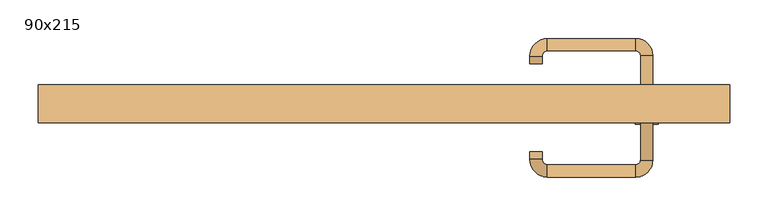
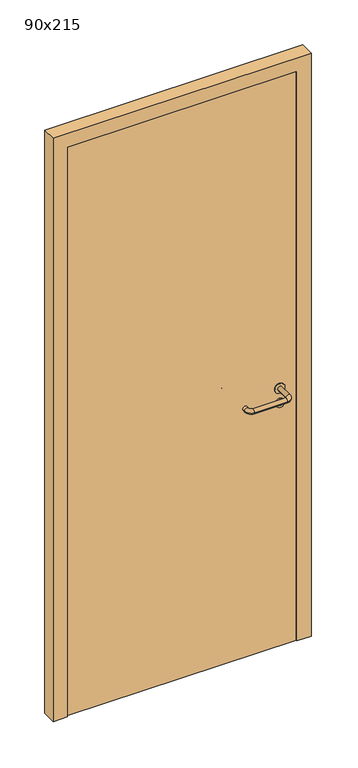
"""IFC4 building model written with IfcOpenShell, lengths in millimetres: door geometry, 90x215."""

from ifc_helpers import new_model, si_unit, point, frame, frame_2d, origin, origin_with_axes, place, context, project, spatial, polyline, circle_curve, ellipse_curve, trimmed, segment, composite_curve, outline, extrude, source, transform, mapped, element, save
from ifc_brep_helpers import plane_surface, cylinder_surface, revolved_surface, advanced_brep


def door_90x215_48e26235(model_context):
    return source(origin(), model_context, "Body", "SolidModel", [
        extrude(outline(composite_curve([segment(trimmed(circle_curve(frame_2d((897.3605726, 342.0)), 15.0), [point((897.3605726, 357.0))], [point((897.3605726, 327.0))], False, "CARTESIAN"), True, "CONTINUOUS"), segment(trimmed(circle_curve(frame_2d((897.3605726, 342.0)), 15.0), [point((897.3605726, 327.0))], [point((897.3605726, 357.0))], False, "CARTESIAN"), True, "CONTINUOUS")], self_intersect=False), holes=[composite_curve([segment(trimmed(circle_curve(frame_2d((892.5833211, 341.9398032)), 2.0), [point((892.5833211, 343.9398032))], [point((892.5833211, 339.9398032))], True, "CARTESIAN"), True, "CONTINUOUS"), segment(polyline([(892.5833211, 339.9398032), (902.5833211, 339.9398032)]), True, "CONTINUOUS"), segment(trimmed(circle_curve(frame_2d((902.5833211, 341.9398032)), 2.0), [point((902.5833211, 339.9398032))], [point((902.5833211, 343.9398032))], True, "CARTESIAN"), True, "CONTINUOUS"), segment(polyline([(902.5833211, 343.9398032), (892.5833211, 343.9398032)]), True, "CONTINUOUS")], self_intersect=False)]), frame((0.0, -15.0, 0.0), z_axis=(0.0, 1.0, 0.0), x_axis=(0.0, 0.0, 1.0)), (0.0, 0.0, 1.0), 6.35),
        extrude(outline(composite_curve([segment(trimmed(circle_curve(frame_2d((950.0, 342.0)), 17.526), [point((950.0, 359.526))], [point((950.0, 324.474))], False, "CARTESIAN"), True, "CONTINUOUS"), segment(trimmed(circle_curve(frame_2d((950.0, 342.0)), 17.526), [point((950.0, 324.474))], [point((950.0, 359.526))], False, "CARTESIAN"), True, "CONTINUOUS")], self_intersect=False)), frame((0.0, -15.0, 0.0), z_axis=(0.0, 1.0, 0.0), x_axis=(0.0, 0.0, 1.0)), (0.0, 0.0, 1.0), 3.175),
        advanced_brep(
        [(350.0, -15.0, 950.0), (334.0, -15.0, 950.0), (350.0, 38.0, 950.0), (334.0, 38.0, 950.0), (327.8578644, 44.1421356, 950.0), (327.8578644, 60.1421356, 950.0), (212.8578644, 60.1421356, 950.0), (212.8578644, 44.1421356, 950.0), (206.008622, 37.2928932, 950.0), (190.008622, 37.2928932, 950.0), (190.008622, 27.2928932, 950.0), (206.008622, 27.2928932, 950.0)],
        [
            (0, 1, circle_curve(frame((342.0, -15.0, 950.0), z_axis=(0.0, -1.0, 0.0), x_axis=(-1.0, 0.0, 0.0)), 8.0)),
            (1, 0, circle_curve(frame((342.0, -15.0, 950.0), z_axis=(0.0, -1.0, 0.0), x_axis=(-1.0, 0.0, 0.0)), 8.0)),
            (0, 2),
            (2, 3, circle_curve(frame((342.0, 38.0, 950.0), z_axis=(0.0, -1.0, 0.0), x_axis=(-1.0, 0.0, 0.0)), 8.0)),
            (3, 1),
            (3, 2, circle_curve(frame((342.0, 38.0, 950.0), z_axis=(0.0, -1.0, 0.0), x_axis=(-1.0, 0.0, 0.0)), 8.0)),
            (4, 3, circle_curve(frame((327.8578644, 38.0, 950.0), z_axis=(0.0, 0.0, -1.0), x_axis=(1.0, 0.0, 0.0)), 6.1421356)),
            (2, 5, circle_curve(frame((327.8578644, 38.0, 950.0), z_axis=(0.0, 0.0, 1.0), x_axis=(1.0, 0.0, 0.0)), 22.1421356)),
            (5, 4, circle_curve(frame((327.8578644, 52.1421356, 950.0), z_axis=(1.0, 0.0, 0.0), x_axis=(0.0, -1.0, 0.0)), 8.0)),
            (4, 5, circle_curve(frame((327.8578644, 52.1421356, 950.0), z_axis=(1.0, 0.0, 0.0), x_axis=(0.0, -1.0, 0.0)), 8.0)),
            (5, 6),
            (6, 7, circle_curve(frame((212.8578644, 52.1421356, 950.0), z_axis=(1.0, 0.0, 0.0), x_axis=(0.0, -1.0, 0.0)), 8.0)),
            (7, 4),
            (7, 6, circle_curve(frame((212.8578644, 52.1421356, 950.0), z_axis=(1.0, 0.0, 0.0), x_axis=(0.0, -1.0, 0.0)), 8.0)),
            (8, 7, circle_curve(frame((212.8578644, 37.2928932, 950.0), z_axis=(0.0, 0.0, -1.0), x_axis=(0.0, 1.0, 0.0)), 6.8492424)),
            (6, 9, circle_curve(frame((212.8578644, 37.2928932, 950.0), z_axis=(0.0, 0.0, 1.0), x_axis=(0.0, 1.0, 0.0)), 22.8492424)),
            (9, 8, circle_curve(frame((198.008622, 37.2928932, 950.0), z_axis=(0.0, 1.0, 0.0), x_axis=(1.0, 0.0, 0.0)), 8.0)),
            (8, 9, circle_curve(frame((198.008622, 37.2928932, 950.0), z_axis=(0.0, 1.0, 0.0), x_axis=(1.0, 0.0, 0.0)), 8.0)),
            (10, 11, circle_curve(frame((198.008622, 27.2928932, 950.0), z_axis=(0.0, -1.0, 0.0), x_axis=(1.0, 0.0, 0.0)), 8.0)),
            (11, 10, circle_curve(frame((198.008622, 27.2928932, 950.0), z_axis=(0.0, -1.0, 0.0), x_axis=(1.0, 0.0, 0.0)), 8.0)),
            (9, 10),
            (11, 8),
        ],
        [
            plane_surface(frame((342.0, -15.0, 170.0), z_axis=(0.0, -1.0, 0.0), x_axis=(0.0, 0.0, 1.0))),
            cylinder_surface(frame((342.0, -15.0, 950.0), z_axis=(0.0, -1.0, 0.0), x_axis=(-1.0, 0.0, 0.0)), 8.0),
            revolved_surface(trimmed(ellipse_curve(frame((342.0, 38.0, 950.0), z_axis=(0.0, -1.0, 0.0), x_axis=(-1.0, 0.0, 0.0)), 8.0, 8.0), [point((350.0, 38.0, 950.0))], [point((334.0, 38.0, 950.0))], True, "CARTESIAN"), (327.8578644, 38.0, 170.0), (0.0, 0.0, 1.0)),
            revolved_surface(trimmed(ellipse_curve(frame((342.0, 38.0, 950.0), z_axis=(0.0, -1.0, 0.0), x_axis=(-1.0, 0.0, 0.0)), 8.0, 8.0), [point((334.0, 38.0, 950.0))], [point((350.0, 38.0, 950.0))], True, "CARTESIAN"), (327.8578644, 38.0, 170.0), (0.0, 0.0, 1.0)),
            cylinder_surface(frame((327.8578644, 52.1421356, 950.0), z_axis=(1.0, 0.0, 0.0), x_axis=(0.0, -1.0, 0.0)), 8.0),
            revolved_surface(trimmed(ellipse_curve(frame((212.8578644, 52.1421356, 950.0), z_axis=(1.0, 0.0, 0.0), x_axis=(0.0, -1.0, 0.0)), 8.0, 8.0), [point((212.8578644, 60.1421356, 950.0))], [point((212.8578644, 44.1421356, 950.0))], True, "CARTESIAN"), (212.8578644, 37.2928932, 170.0), (0.0, 0.0, 1.0)),
            revolved_surface(trimmed(ellipse_curve(frame((212.8578644, 52.1421356, 950.0), z_axis=(1.0, 0.0, 0.0), x_axis=(0.0, -1.0, 0.0)), 8.0, 8.0), [point((212.8578644, 44.1421356, 950.0))], [point((212.8578644, 60.1421356, 950.0))], True, "CARTESIAN"), (212.8578644, 37.2928932, 170.0), (0.0, 0.0, 1.0)),
            plane_surface(frame((198.008622, 27.2928932, 170.0), z_axis=(0.0, -1.0, 0.0), x_axis=(0.0, 0.0, 1.0))),
            cylinder_surface(frame((198.008622, 37.2928932, 950.0), z_axis=(0.0, 1.0, 0.0), x_axis=(1.0, 0.0, 0.0)), 8.0),
        ],
        [
            (0, [[1, 2]]),
            (1, [[-1, 3, 4, 5]]),
            (1, [[-2, -5, 6, -3]]),
            (2, [[7, -4, 8, 9]]),
            (3, [[-8, -6, -7, 10]]),
            (4, [[-9, 11, 12, 13]]),
            (4, [[-10, -13, 14, -11]]),
            (5, [[15, -12, 16, 17]]),
            (6, [[-16, -14, -15, 18]]),
            (7, [[19, 20]]),
            (8, [[-17, 21, -20, 22]]),
            (8, [[-18, -22, -19, -21]]),
        ],
    ),
        extrude(outline(composite_curve([segment(trimmed(circle_curve(frame_2d((0.0, 15.0)), 15.0), [point((0.0, 30.0))], [point((0.0, 0.0))], False, "CARTESIAN"), True, "CONTINUOUS"), segment(trimmed(circle_curve(frame_2d((0.0, 15.0)), 15.0), [point((0.0, 0.0))], [point((0.0, 30.0))], False, "CARTESIAN"), True, "CONTINUOUS")], self_intersect=False), holes=[composite_curve([segment(trimmed(circle_curve(frame_2d((-4.7772515, 14.9398032)), 2.0), [point((-4.7772515, 16.9398032))], [point((-4.7772515, 12.9398032))], True, "CARTESIAN"), True, "CONTINUOUS"), segment(polyline([(-4.7772515, 12.9398032), (5.2227485, 12.9398032)]), True, "CONTINUOUS"), segment(trimmed(circle_curve(frame_2d((5.2227485, 14.9398032)), 2.0), [point((5.2227485, 12.9398032))], [point((5.2227485, 16.9398032))], True, "CARTESIAN"), True, "CONTINUOUS"), segment(polyline([(5.2227485, 16.9398032), (-4.7772515, 16.9398032)]), True, "CONTINUOUS")], self_intersect=False)]), frame((327.0, -51.35, 897.3605726), z_axis=(-1.8870575173328306e-12, 1.0, 0.0), x_axis=(0.0, 0.0, 1.0)), (0.0, 0.0, 1.0), 6.35),
        extrude(outline(composite_curve([segment(trimmed(circle_curve(frame_2d((0.0, 17.526)), 17.526), [point((0.0, 35.052))], [point((0.0, 0.0))], False, "CARTESIAN"), True, "CONTINUOUS"), segment(trimmed(circle_curve(frame_2d((0.0, 17.526)), 17.526), [point((0.0, 0.0))], [point((0.0, 35.052))], False, "CARTESIAN"), True, "CONTINUOUS")], self_intersect=False)), frame((324.474, -48.175, 950.0), z_axis=(-1.8870575173328306e-12, 1.0, 0.0), x_axis=(0.0, 0.0, 1.0)), (0.0, 0.0, 1.0), 3.175),
        advanced_brep(
        [(350.0, -45.0, 950.0), (334.0, -45.0, 950.0), (334.0, -98.0, 950.0), (350.0, -98.0, 950.0), (327.8578644, -104.1421356, 950.0), (327.8578644, -120.1421356, 950.0), (212.8578644, -104.1421356, 950.0), (212.8578644, -120.1421356, 950.0), (206.008622, -97.2928932, 950.0), (190.008622, -97.2928932, 950.0), (190.008622, -87.2928932, 950.0), (206.008622, -87.2928932, 950.0)],
        [
            (0, 1, circle_curve(frame((342.0, -45.0, 950.0), z_axis=(-1.888672253512351e-12, 1.0, 0.0), x_axis=(-1.0, -1.888672253512351e-12, 0.0)), 8.0)),
            (1, 0, circle_curve(frame((342.0, -45.0, 950.0), z_axis=(-1.888672253512351e-12, 1.0, 0.0), x_axis=(-1.0, -1.888672253512351e-12, 0.0)), 8.0)),
            (1, 2),
            (2, 3, circle_curve(frame((342.0, -98.0, 950.0), z_axis=(-1.888672253512351e-12, 1.0, 0.0), x_axis=(-1.0, -1.888672253512351e-12, 0.0)), 8.0)),
            (3, 0),
            (3, 2, circle_curve(frame((342.0, -98.0, 950.0), z_axis=(-1.888672253512351e-12, 1.0, 0.0), x_axis=(-1.0, -1.888672253512351e-12, 0.0)), 8.0)),
            (4, 5, circle_curve(frame((327.8578644, -112.1421356, 950.0), z_axis=(1.0, 1.913702061528922e-12, 0.0), x_axis=(-1.913702061528922e-12, 1.0, 0.0)), 8.0)),
            (5, 3, circle_curve(frame((327.8578644, -98.0, 950.0), z_axis=(0.0, 0.0, 1.0), x_axis=(1.0, 1.880717803715015e-12, 0.0)), 22.1421356)),
            (2, 4, circle_curve(frame((327.8578644, -98.0, 950.0), z_axis=(0.0, 0.0, -1.0), x_axis=(1.0, 1.880717803715015e-12, 0.0)), 6.1421356)),
            (5, 4, circle_curve(frame((327.8578644, -112.1421356, 950.0), z_axis=(1.0, 1.913702061528922e-12, 0.0), x_axis=(-1.913702061528922e-12, 1.0, 0.0)), 8.0)),
            (4, 6),
            (6, 7, circle_curve(frame((212.8578644, -112.1421356, 950.0), z_axis=(1.0, 1.913719828541269e-12, 0.0), x_axis=(-1.913719828541269e-12, 1.0, 0.0)), 8.0)),
            (7, 5),
            (7, 6, circle_curve(frame((212.8578644, -112.1421356, 950.0), z_axis=(1.0, 1.913719828541269e-12, 0.0), x_axis=(-1.913719828541269e-12, 1.0, 0.0)), 8.0)),
            (8, 9, circle_curve(frame((198.008622, -97.2928932, 950.0), z_axis=(1.890226565746826e-12, -1.0, 0.0), x_axis=(1.0, 1.890226565746826e-12, 0.0)), 8.0)),
            (9, 7, circle_curve(frame((212.8578644, -97.2928932, 950.0), z_axis=(0.0, 0.0, 1.0), x_axis=(1.9120873253494017e-12, -1.0, 0.0)), 22.8492424)),
            (6, 8, circle_curve(frame((212.8578644, -97.2928932, 950.0), z_axis=(0.0, 0.0, -1.0), x_axis=(1.9120873253494017e-12, -1.0, 0.0)), 6.8492424)),
            (9, 8, circle_curve(frame((198.008622, -97.2928932, 950.0), z_axis=(1.890670654956676e-12, -1.0, 0.0), x_axis=(1.0, 1.890670654956676e-12, 0.0)), 8.0)),
            (10, 11, circle_curve(frame((198.008622, -87.2928932, 950.0), z_axis=(-1.8903642334018795e-12, 1.0, 0.0), x_axis=(1.0, 1.8903642334018795e-12, 0.0)), 8.0)),
            (11, 10, circle_curve(frame((198.008622, -87.2928932, 950.0), z_axis=(-1.8903642334018795e-12, 1.0, 0.0), x_axis=(1.0, 1.8903642334018795e-12, 0.0)), 8.0)),
            (8, 11),
            (10, 9),
        ],
        [
            plane_surface(frame((342.0, -45.0, 170.0), z_axis=(-1.8870575173328306e-12, 1.0, 0.0), x_axis=(0.0, 0.0, 1.0))),
            cylinder_surface(frame((342.0, -45.0, 950.0), z_axis=(-1.888672253512351e-12, 1.0, 0.0), x_axis=(-1.0, -1.888672253512351e-12, 0.0)), 8.0),
            revolved_surface(trimmed(ellipse_curve(frame((342.0, -98.0, 950.0), z_axis=(1.8823325398945356e-12, -1.0, 0.0), x_axis=(-1.0, -1.8823325398945356e-12, 0.0)), 8.0, 8.0), [point((350.0, -98.0, 950.0))], [point((334.0, -98.0, 950.0))], True, "CARTESIAN"), (327.8578644, -98.0, 170.0), (0.0, 0.0, 1.0)),
            revolved_surface(trimmed(ellipse_curve(frame((342.0, -98.0, 950.0), z_axis=(1.8823325398945356e-12, -1.0, 0.0), x_axis=(-1.0, -1.8823325398945356e-12, 0.0)), 8.0, 8.0), [point((334.0, -98.0, 950.0))], [point((350.0, -98.0, 950.0))], True, "CARTESIAN"), (327.8578644, -98.0, 170.0), (0.0, 0.0, 1.0)),
            cylinder_surface(frame((327.8578644, -112.1421356, 950.0), z_axis=(1.0, 1.913719828541269e-12, 0.0), x_axis=(-1.913719828541269e-12, 1.0, 0.0)), 8.0),
            revolved_surface(trimmed(ellipse_curve(frame((212.8578644, -112.1421356, 950.0), z_axis=(-1.0, -1.913702061528922e-12, 0.0), x_axis=(-1.913702061528922e-12, 1.0, 0.0)), 8.0, 8.0), [point((212.8578644, -120.1421356, 950.0))], [point((212.8578644, -104.1421356, 950.0))], True, "CARTESIAN"), (212.8578644, -97.2928932, 170.0), (0.0, 0.0, 1.0)),
            revolved_surface(trimmed(ellipse_curve(frame((212.8578644, -112.1421356, 950.0), z_axis=(-1.0, -1.913702061528922e-12, 0.0), x_axis=(-1.913702061528922e-12, 1.0, 0.0)), 8.0, 8.0), [point((212.8578644, -104.1421356, 950.0))], [point((212.8578644, -120.1421356, 950.0))], True, "CARTESIAN"), (212.8578644, -97.2928932, 170.0), (0.0, 0.0, 1.0)),
            plane_surface(frame((198.008622, -87.2928932, 170.0), z_axis=(-1.8887494972223595e-12, 1.0, 0.0), x_axis=(0.0, 0.0, 1.0))),
            cylinder_surface(frame((198.008622, -97.2928932, 950.0), z_axis=(1.8903642334018795e-12, -1.0, 0.0), x_axis=(1.0, 1.8903642334018795e-12, 0.0)), 8.0),
        ],
        [
            (0, [[1, 2]]),
            (1, [[3, 4, 5, -2]]),
            (1, [[-5, 6, -3, -1]]),
            (2, [[7, 8, -4, 9]]),
            (3, [[10, -9, -6, -8]]),
            (4, [[11, 12, 13, -7]]),
            (4, [[-13, 14, -11, -10]]),
            (5, [[15, 16, -12, 17]]),
            (6, [[18, -17, -14, -16]]),
            (7, [[19, 20]]),
            (8, [[21, -19, 22, -15]]),
            (8, [[-22, -20, -21, -18]]),
        ],
    ),
        extrude(outline(polyline([(2100.0, 400.0), (0.0, 400.0), (0.0, 450.0), (2150.0, 450.0), (2150.0, -450.0), (0.0, -450.0), (0.0, -400.0), (2100.0, -400.0), (2100.0, 400.0)])), frame((0.0, -50.0, 0.0), z_axis=(0.0, 1.0, 0.0), x_axis=(0.0, 0.0, 1.0)), (0.0, 0.0, 1.0), 50.0),
        extrude(outline(polyline([(-400.0, -45.0), (-400.0, -15.0), (400.0, -15.0), (400.0, -45.0), (-400.0, -45.0)])), origin_with_axes(), (0.0, 0.0, 1.0), 2100.0),
    ])


if __name__ == "__main__":
    model = new_model("IFC4")
    model_context = context("Model", 3, world=origin())
    ifc_project = project(units=[si_unit("LENGTHUNIT", "METRE", prefix="MILLI")], contexts=[model_context])
    site = spatial("IfcSite", under=ifc_project)
    building = spatial("IfcBuilding", under=site)
    placement = place(None, origin())
    door_90x215_shape = door_90x215_48e26235(model_context)
    element("IfcDoor", 1, ObjectType="90x215", at=placement, inside=building, context=model_context, shape_type="MappedRepresentation", body=[
        mapped(door_90x215_shape, transform((0.0, 0.0, 0.0), x_axis=(1.0, 0.0, 0.0), y_axis=(0.0, 1.0, 0.0), z_axis=(0.0, 0.0, 1.0))),
    ])
    save(model, "model.ifc")
